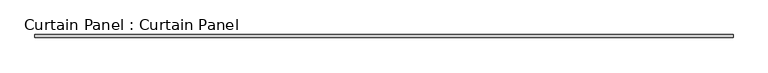
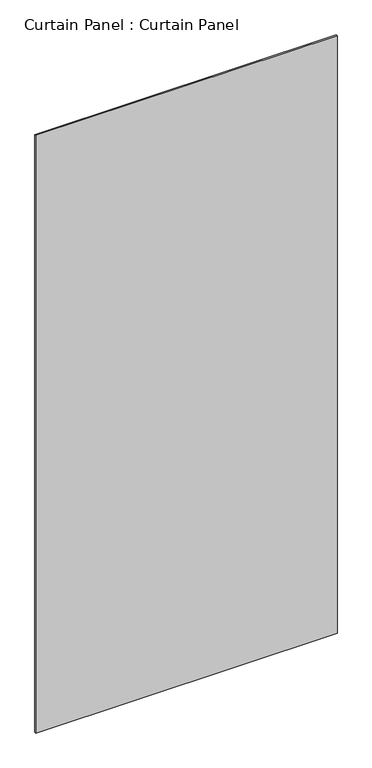
"""IFC4 building model written with IfcOpenShell, lengths in millimetres: plate geometry, Curtain Panel : Curtain Panel."""

from ifc_helpers import new_model, si_unit, origin, origin_with_axes, place, context, project, spatial, polyline, outline, extrude, source, transform, mapped, element, save


def curtain_panel_curtain_panel_246afa54(model_context):
    return source(origin(), model_context, "Body", "SweptSolid", [
        extrude(outline(polyline([(-363754.9820997, 3505.6618733), (-365208.9149983, 3505.6618733), (-365208.9149983, 3512.0118733), (-363754.9820997, 3512.0118733), (-363754.9820997, 3505.6618733)])), origin_with_axes(), (0.0, 0.0, 1.0), 3048.0),
    ])


if __name__ == "__main__":
    model = new_model("IFC4")
    model_context = context("Model", 3, world=origin())
    ifc_project = project(units=[si_unit("LENGTHUNIT", "METRE", prefix="MILLI")], contexts=[model_context])
    site = spatial("IfcSite", under=ifc_project)
    building = spatial("IfcBuilding", under=site)
    placement = place(None, origin())
    curtain_panel_curtain_panel_shape = curtain_panel_curtain_panel_246afa54(model_context)
    element("IfcPlate", 1, ObjectType="Curtain Panel : Curtain Panel", at=placement, inside=building, context=model_context, shape_type="MappedRepresentation", body=[
        mapped(curtain_panel_curtain_panel_shape, transform((0.0, 0.0, 0.0), x_axis=(1.0, 0.0, 0.0), y_axis=(0.0, 1.0, 0.0), z_axis=(0.0, 0.0, 1.0))),
    ])
    save(model, "model.ifc")
